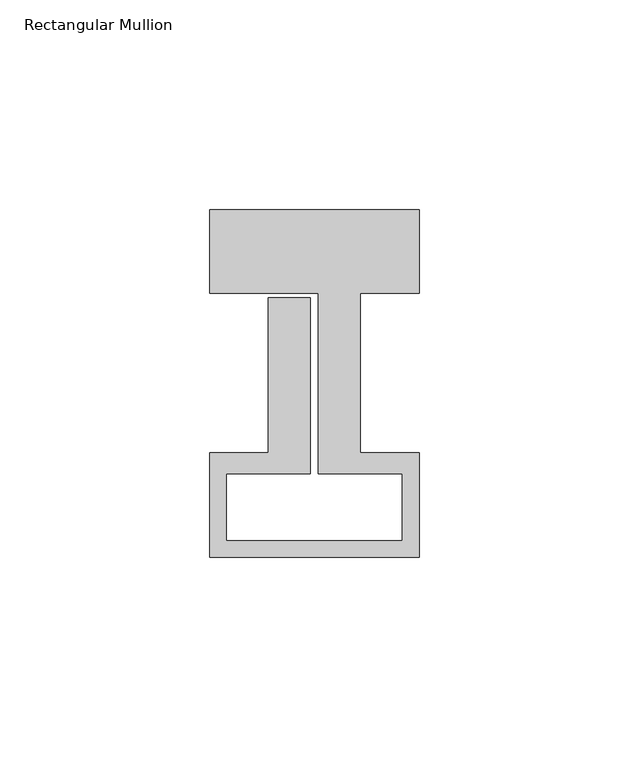
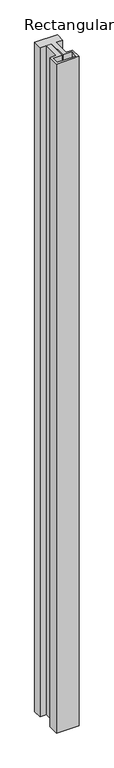
"""IFC4 building model written with IfcOpenShell, lengths in millimetres: member geometry, Rectangular Mullion."""

from ifc_helpers import new_model, si_unit, frame, origin, place, context, project, spatial, polyline, outline, extrude, source, transform, mapped, element, save


def rectangular_mullion_d60f8e8b(model_context):
    return source(origin(), model_context, "Body", "SweptSolid", [
        extrude(outline(polyline([(0.0, 58.0), (0.0, 38.0), (-14.0, 38.0), (-14.0, -0.1), (0.0, -0.1), (0.0, -25.0), (-50.0, -25.0), (-50.0, -0.1), (-36.0, -0.1), (-36.0, 37.0), (-26.0, 37.0), (-26.0, -5.0), (-46.0, -5.0), (-46.0, -21.0), (-4.0, -21.0), (-4.0, -5.0), (-24.0, -5.0), (-24.0, 38.0), (-50.0, 38.0), (-50.0, 58.0), (0.0, 58.0)])), frame((0.0, 0.0, -1560.0), z_axis=(0.0, 0.0, 1.0), x_axis=(1.0, 0.0, 0.0)), (0.0, 0.0, 1.0), 1560.0),
    ])


if __name__ == "__main__":
    model = new_model("IFC4")
    model_context = context("Model", 3, world=origin())
    ifc_project = project(units=[si_unit("LENGTHUNIT", "METRE", prefix="MILLI")], contexts=[model_context])
    site = spatial("IfcSite", under=ifc_project)
    building = spatial("IfcBuilding", under=site)
    placement = place(None, origin())
    rectangular_mullion_shape = rectangular_mullion_d60f8e8b(model_context)
    element("IfcMember", 1, ObjectType="Rectangular Mullion", at=placement, inside=building, context=model_context, shape_type="MappedRepresentation", body=[
        mapped(rectangular_mullion_shape, transform((0.0, 0.0, 0.0), x_axis=(1.0, 0.0, 0.0), y_axis=(0.0, 1.0, 0.0), z_axis=(0.0, 0.0, 1.0))),
    ])
    save(model, "model.ifc")
